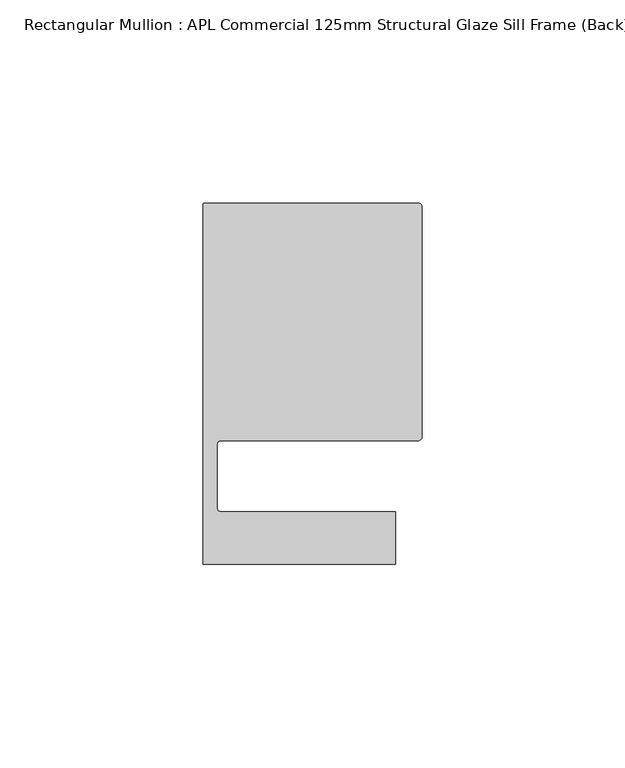
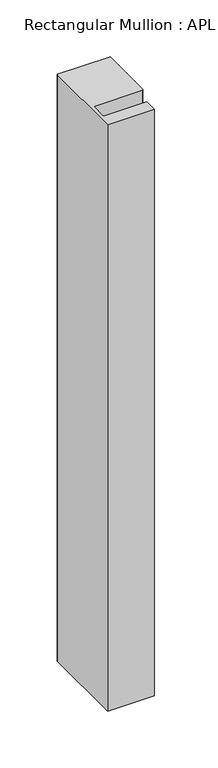
"""IFC4 building model written with IfcOpenShell, lengths in millimetres: member geometry, Rectangular Mullion : APL Commercial 125mm Structural Glaze Sill Frame (Back)."""

from ifc_helpers import new_model, si_unit, frame, origin, place, context, project, spatial, polyline, circle_curve, source, transform, mapped, element, save
from ifc_brep_helpers import plane_surface, cylinder_surface, revolved_surface, advanced_brep


def rectangular_mullion_apl_commercial_125mm_structural_glaze_0520e199(model_context):
    return source(origin(), model_context, "Body", "AdvancedBrep", [
        advanced_brep(
        [(-53.5000029, 104.0, 0.0), (-54.0000029, 103.5, 0.0), (-54.0000029, 15.0004332, 0.0), (-6.5000029, 15.0004332, 0.0), (-6.5000029, 28.0004332, 0.0), (-49.5000029, 28.0004332, 0.0), (-50.5000029, 29.0004332, 0.0), (-50.5000029, 44.5010268, 0.0), (-49.5000004, 45.5010268, 0.0), (-1.0, 45.5010268, 0.0), (0.0, 46.5010268, 0.0), (0.0, 103.0, 0.0), (-1.0000025, 104.0, 0.0), (-53.5000029, 104.0, -629.1971776), (-1.0000025, 104.0, -629.1971776), (-2.5e-06, 103.0, -629.1971776), (0.0, 46.5010268, -629.1971776), (-1.0, 45.5010268, -629.1971776), (-49.5000004, 45.5010268, -629.1971776), (-50.5000004, 44.5010268, -629.1971776), (-50.5000029, 29.0004332, -629.1971776), (-49.5000029, 28.0004332, -629.1971776), (-6.5000029, 28.0004332, -629.1971776), (-6.5000029, 15.0004332, -629.1971776), (-54.0000029, 15.0004332, -629.1971776), (-54.0000029, 103.5, -629.1971776)],
        [
            (0, 1, circle_curve(frame((-53.5000029, 103.5, 0.0), z_axis=(0.0, 0.0, 1.0), x_axis=(0.0, 1.0, 0.0)), 0.5)),
            (1, 2),
            (2, 3),
            (3, 4),
            (4, 5),
            (5, 6, circle_curve(frame((-49.5000029, 29.0004332, 0.0), z_axis=(0.0, 0.0, -1.0), x_axis=(0.0, -1.0, 0.0)), 1.0)),
            (6, 7),
            (7, 8, circle_curve(frame((-49.5000004, 44.5010268, 0.0), z_axis=(0.0, 0.0, -1.0), x_axis=(-0.9999999999998819, 4.863123717036027e-07, 0.0)), 1.0)),
            (8, 9),
            (9, 10, circle_curve(frame((-1.0, 46.5010268, 0.0), z_axis=(0.0, 0.0, 1.0), x_axis=(0.0, -1.0, 0.0)), 1.0)),
            (10, 11),
            (11, 12, circle_curve(frame((-1.0000025, 103.0, 0.0), z_axis=(0.0, 0.0, 1.0), x_axis=(0.9999999999996143, 8.78371761103865e-07, 0.0)), 1.0)),
            (12, 0),
            (13, 14),
            (14, 15, circle_curve(frame((-1.0000025, 103.0, -629.1971776), z_axis=(0.0, 0.0, -1.0), x_axis=(0.9999999999996143, 8.78371761103865e-07, 0.0)), 1.0)),
            (15, 16),
            (16, 17, circle_curve(frame((-1.0, 46.5010268, -629.1971776), z_axis=(0.0, 0.0, -1.0), x_axis=(0.0, -1.0, 0.0)), 1.0)),
            (17, 18),
            (18, 19, circle_curve(frame((-49.5000004, 44.5010268, -629.1971776), z_axis=(0.0, 0.0, 1.0), x_axis=(-0.9999999999998819, 4.863123717036027e-07, 0.0)), 1.0)),
            (19, 20),
            (20, 21, circle_curve(frame((-49.5000029, 29.0004332, -629.1971776), z_axis=(0.0, 0.0, 1.0), x_axis=(0.0, -1.0, 0.0)), 1.0)),
            (21, 22),
            (22, 23),
            (23, 24),
            (24, 25),
            (25, 13, circle_curve(frame((-53.5000029, 103.5, -629.1971776), z_axis=(0.0, 0.0, -1.0), x_axis=(0.0, 1.0, 0.0)), 0.5)),
            (0, 13),
            (25, 1),
            (24, 2),
            (23, 3),
            (22, 4),
            (21, 5),
            (20, 6),
            (19, 7),
            (18, 8),
            (17, 9),
            (16, 10),
            (15, 11),
            (14, 12),
        ],
        [
            plane_surface(frame((0.0, -116.986179, 0.0), z_axis=(0.0, 0.0, 1.0), x_axis=(-1.0, 0.0, 0.0))),
            plane_surface(frame((0.0, -116.986179, -629.1971776), z_axis=(0.0, 0.0, -1.0), x_axis=(-1.0, 0.0, 0.0))),
            cylinder_surface(frame((-53.5000029, 103.5, 0.0), z_axis=(0.0, 0.0, 1.0), x_axis=(0.0, 1.0, 0.0)), 0.5),
            plane_surface(frame((-54.0000029, 103.5, 0.0), z_axis=(-1.0, 0.0, 0.0), x_axis=(0.0, 0.0, -1.0))),
            plane_surface(frame((-54.0000029, 15.0004332, 0.0), z_axis=(0.0, -1.0, 0.0), x_axis=(0.0, 0.0, -1.0))),
            plane_surface(frame((-6.5000029, 15.0004332, 0.0), z_axis=(1.0, 0.0, 0.0), x_axis=(0.0, 0.0, -1.0))),
            plane_surface(frame((-6.5000029, 28.0004332, 0.0), z_axis=(0.0, 1.0, 0.0), x_axis=(0.0, 0.0, -1.0))),
            revolved_surface(polyline([(-49.5000029, 28.0004332, -629.1971776), (-49.5000029, 28.0004332, 0.0)]), (-49.5000029, 29.0004332, 0.0), (0.0, 0.0, -1.0)),
            plane_surface(frame((-50.5000029, 29.0004332, 0.0), z_axis=(1.0, 0.0, 0.0), x_axis=(0.0, 0.0, -1.0))),
            revolved_surface(polyline([(-50.50000039999988, 44.50102728631237, -629.1971776000003), (-50.50000039999988, 44.50102728631237, 0.0)]), (-49.5000004, 44.5010268, 0.0), (0.0, 0.0, -1.0000000000000002)),
            plane_surface(frame((-49.5000004, 45.5010268, 0.0), z_axis=(0.0, -1.0, 0.0), x_axis=(0.0, 0.0, -1.0))),
            cylinder_surface(frame((-1.0, 46.5010268, 0.0), z_axis=(0.0, 0.0, 1.0), x_axis=(0.0, -1.0, 0.0)), 1.0),
            plane_surface(frame((0.0, 46.5010268, 0.0), z_axis=(1.0, 0.0, 0.0), x_axis=(0.0, 0.0, -1.0))),
            cylinder_surface(frame((-1.0000025, 103.0, 0.0), z_axis=(0.0, 0.0, 1.0000000000000002), x_axis=(0.9999999999996143, 8.78371761103865e-07, 0.0)), 1.0),
            plane_surface(frame((-1.0000025, 104.0, 0.0), z_axis=(0.0, 1.0, 0.0), x_axis=(0.0, 0.0, -1.0))),
        ],
        [
            (0, [[1, 2, 3, 4, 5, 6, 7, 8, 9, 10, 11, 12, 13]]),
            (1, [[14, 15, 16, 17, 18, 19, 20, 21, 22, 23, 24, 25, 26]]),
            (2, [[-1, 27, -26, 28]]),
            (3, [[-2, -28, -25, 29]]),
            (4, [[-3, -29, -24, 30]]),
            (5, [[-4, -30, -23, 31]]),
            (6, [[-5, -31, -22, 32]]),
            (7, [[-6, -32, -21, 33]]),
            (8, [[-7, -33, -20, 34]]),
            (9, [[-8, -34, -19, 35]]),
            (10, [[-9, -35, -18, 36]]),
            (11, [[-10, -36, -17, 37]]),
            (12, [[-11, -37, -16, 38]]),
            (13, [[-12, -38, -15, 39]]),
            (14, [[-13, -39, -14, -27]]),
        ],
    ),
    ])


if __name__ == "__main__":
    model = new_model("IFC4")
    model_context = context("Model", 3, world=origin())
    ifc_project = project(units=[si_unit("LENGTHUNIT", "METRE", prefix="MILLI")], contexts=[model_context])
    site = spatial("IfcSite", under=ifc_project)
    building = spatial("IfcBuilding", under=site)
    placement = place(None, origin())
    rectangular_mullion_apl_commercial_125mm_structural_glaze_shape = rectangular_mullion_apl_commercial_125mm_structural_glaze_0520e199(model_context)
    element("IfcMember", 1, ObjectType="Rectangular Mullion : APL Commercial 125mm Structural Glaze Sill Frame (Back)", at=placement, inside=building, context=model_context, shape_type="MappedRepresentation", body=[
        mapped(rectangular_mullion_apl_commercial_125mm_structural_glaze_shape, transform((0.0, 0.0, 0.0), x_axis=(1.0, 0.0, 0.0), y_axis=(0.0, 1.0, 0.0), z_axis=(0.0, 0.0, 1.0))),
    ])
    save(model, "model.ifc")
